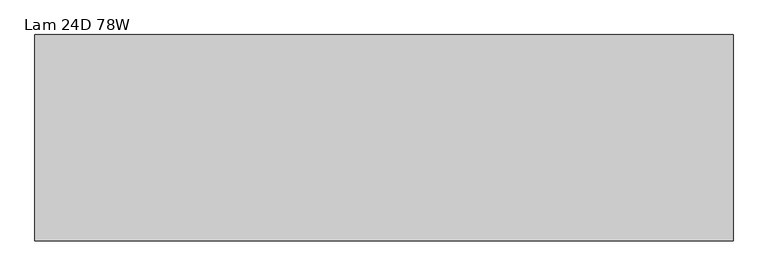
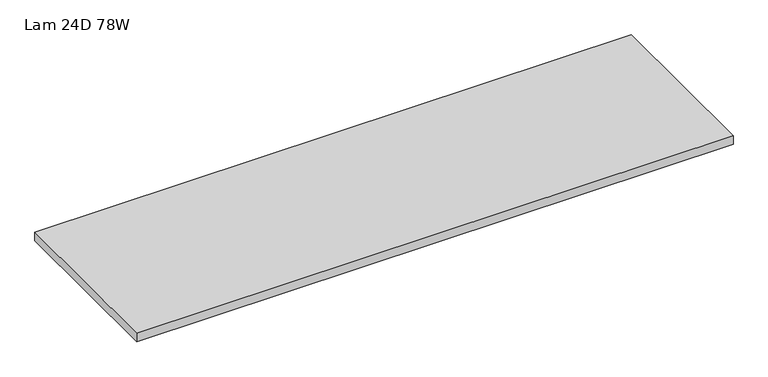
"""IFC4 building model written with IfcOpenShell, lengths in millimetres: furniture geometry, Lam 24D 78W."""

from ifc_helpers import new_model, si_unit, frame, origin, place, context, project, spatial, polyline, outline, extrude, source, transform, mapped, element, save


def lam_24d_78w_f6ecdd9f(model_context):
    return source(origin(), model_context, "Body", "SweptSolid", [
        extrude(outline(polyline([(1515.5275996, 174.6914812), (-462.6244004, 174.6914812), (-462.6244004, 758.8914812), (1515.5275996, 758.8914812), (1515.5275996, 174.6914812)])), frame((0.0, 0.0, 706.7296), z_axis=(0.0, 0.0, 1.0), x_axis=(1.0, 0.0, 0.0)), (0.0, 0.0, 1.0), 29.8704),
    ])


if __name__ == "__main__":
    model = new_model("IFC4")
    model_context = context("Model", 3, world=origin())
    ifc_project = project(units=[si_unit("LENGTHUNIT", "METRE", prefix="MILLI")], contexts=[model_context])
    site = spatial("IfcSite", under=ifc_project)
    building = spatial("IfcBuilding", under=site)
    placement = place(None, origin())
    lam_24d_78w_shape = lam_24d_78w_f6ecdd9f(model_context)
    element("IfcFurniture", 1, ObjectType="Lam 24D 78W", at=placement, inside=building, context=model_context, shape_type="MappedRepresentation", body=[
        mapped(lam_24d_78w_shape, transform((0.0, 0.0, 0.0), x_axis=(1.0, 0.0, 0.0), y_axis=(0.0, 1.0, 0.0), z_axis=(0.0, 0.0, 1.0))),
    ])
    save(model, "model.ifc")
